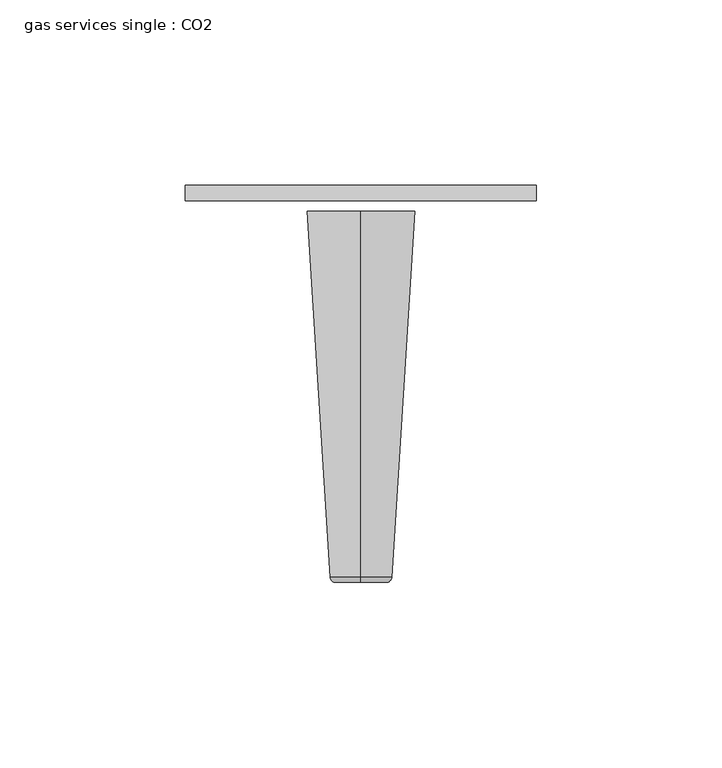
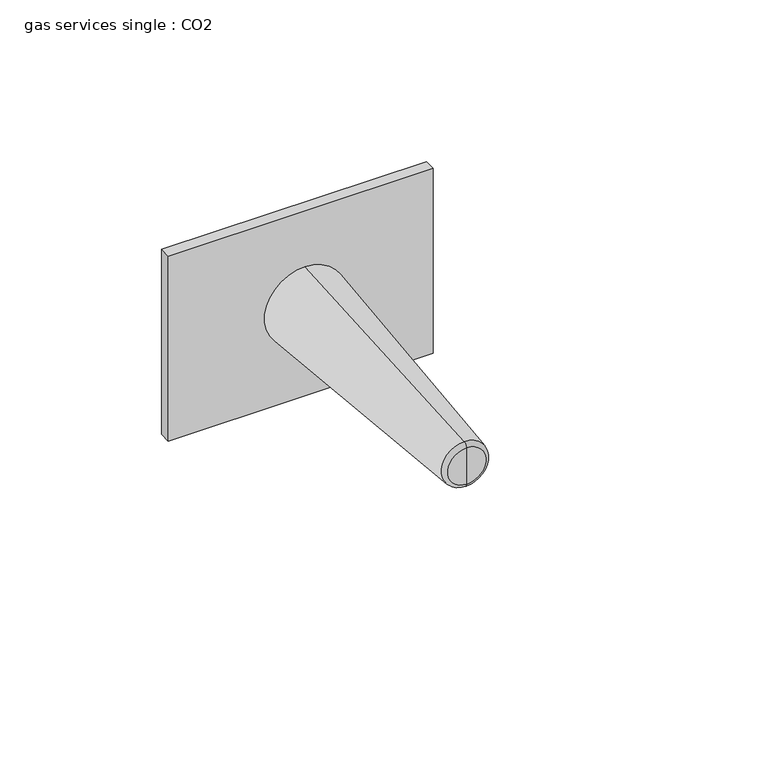
"""IFC4 building model written with IfcOpenShell, lengths in millimetres: flow terminal geometry, gas services single : CO2."""

from ifc_helpers import new_model, si_unit, point, frame, origin, place, context, project, spatial, polyline, circle_curve, ellipse_curve, trimmed, outline, extrude, source, transform, mapped, element, save
from ifc_brep_helpers import plane_surface, revolved_surface, advanced_brep


def gas_services_single_co2_88a8c599(model_context):
    return source(origin(), model_context, "Body", "SolidModel", [
        extrude(outline(polyline([(-47.8699712, 65.6942794), (46.6884324, 65.6942794), (46.6884324, 61.5339373), (-47.8699712, 61.5339373), (-47.8699712, 65.6942794)])), frame((0.0, 0.0, 1056.6175649), z_axis=(0.0, 0.0, 1.0), x_axis=(1.0, 0.0, 0.0)), (0.0, 0.0, 1.0), 69.85),
        advanced_brep(
        [(-0.5907694, -41.3057984, 1099.8610317), (-0.5907694, -41.3057984, 1093.0353454), (-0.5907694, -41.3057984, 1086.2096591), (-0.5907694, -39.8814125, 1101.3777753), (-0.5907694, -39.8814125, 1084.6929155), (-0.5907694, 58.6907564, 1107.5746328), (-0.5907694, 58.6907564, 1078.4960579), (-0.5907694, 58.6907564, 1093.0353454)],
        [
            (0, 1),
            (1, 2),
            (2, 0, circle_curve(frame((-0.5907694, -41.3057984, 1093.0353454), z_axis=(0.0, -1.0, 0.0), x_axis=(0.0, 0.0, -1.0)), 6.8256863)),
            (0, 2, circle_curve(frame((-0.5907694, -41.3057984, 1093.0353454), z_axis=(0.0, -1.0, 0.0), x_axis=(0.0, 0.0, -1.0)), 6.8256863)),
            (3, 0, circle_curve(frame((-0.5907694, -39.7860606, 1099.8610317), z_axis=(1.0, 0.0, 0.0), x_axis=(0.0, 1.0, 0.0)), 1.5197379)),
            (2, 4, circle_curve(frame((-0.5907694, -39.7860606, 1086.2096591), z_axis=(1.0, 0.0, 0.0), x_axis=(0.0, 1.0, 0.0)), 1.5197379)),
            (4, 3, circle_curve(frame((-0.5907694, -39.8814125, 1093.0353454), z_axis=(0.0, -1.0, 0.0), x_axis=(0.0, 0.0, -1.0)), 8.3424299)),
            (3, 4, circle_curve(frame((-0.5907694, -39.8814125, 1093.0353454), z_axis=(0.0, -1.0, 0.0), x_axis=(0.0, 0.0, -1.0)), 8.3424299)),
            (5, 3),
            (4, 6),
            (6, 5, circle_curve(frame((-0.5907694, 58.6907564, 1093.0353454), z_axis=(0.0, -1.0, 0.0), x_axis=(0.0, 0.0, -1.0)), 14.5392874)),
            (5, 6, circle_curve(frame((-0.5907694, 58.6907564, 1093.0353454), z_axis=(0.0, -1.0, 0.0), x_axis=(0.0, 0.0, -1.0)), 14.5392874)),
            (7, 5),
            (6, 7),
        ],
        [
            plane_surface(frame((-0.5907694, -41.3057984, 1093.0353454), z_axis=(0.0, -1.0, 0.0), x_axis=(0.0, 0.0, -1.0))),
            revolved_surface(trimmed(ellipse_curve(frame((-0.5907694, -39.7860606, 1086.2096591), z_axis=(1.0, 0.0, 0.0), x_axis=(0.0, 1.0, 0.0)), 1.5197379, 1.5197379), [point((-0.5907694, -41.3057984, 1086.2096591))], [point((-0.5907694, -39.8814125, 1084.6929155))], True, "CARTESIAN"), (-0.5907694, 27.0773362, 1093.0353454), (0.0, 1.0, 0.0)),
            revolved_surface(polyline([(-0.5907694, -39.8814125, 1084.6929155), (-0.5907694, 58.6907564, 1078.4960579)]), (-0.5907694, 27.0773362, 1093.0353454), (0.0, 1.0, 0.0)),
            plane_surface(frame((-0.5907694, 58.6907564, 1093.0353454), z_axis=(0.0, 1.0, 0.0), x_axis=(0.0, 0.0, -1.0))),
        ],
        [
            (0, [[1, 2, 3]]),
            (0, [[-2, -1, 4]]),
            (1, [[5, -3, 6, 7]]),
            (1, [[-6, -4, -5, 8]]),
            (2, [[9, -7, 10, 11]]),
            (2, [[-10, -8, -9, 12]]),
            (3, [[13, -11, 14]]),
            (3, [[-14, -12, -13]]),
        ],
    ),
    ])


if __name__ == "__main__":
    model = new_model("IFC4")
    model_context = context("Model", 3, world=origin())
    ifc_project = project(units=[si_unit("LENGTHUNIT", "METRE", prefix="MILLI")], contexts=[model_context])
    site = spatial("IfcSite", under=ifc_project)
    building = spatial("IfcBuilding", under=site)
    placement = place(None, origin())
    gas_services_single_co2_shape = gas_services_single_co2_88a8c599(model_context)
    element("IfcFlowTerminal", 1, ObjectType="gas services single : CO2", at=placement, inside=building, context=model_context, shape_type="MappedRepresentation", body=[
        mapped(gas_services_single_co2_shape, transform((0.0, 0.0, 0.0), x_axis=(1.0, 0.0, 0.0), y_axis=(0.0, 1.0, 0.0), z_axis=(0.0, 0.0, 1.0))),
    ])
    save(model, "model.ifc")
